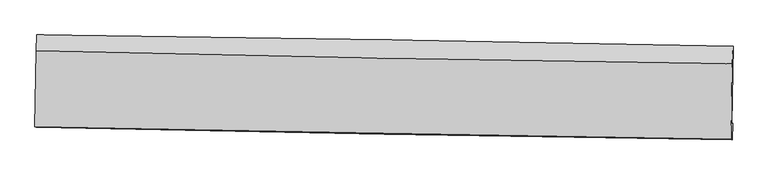
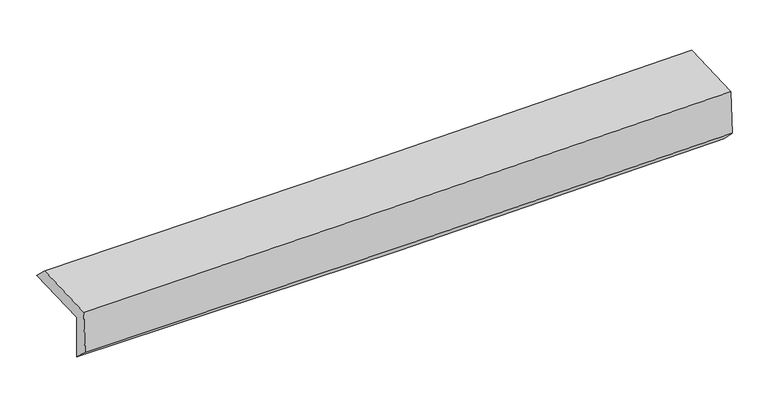
"""IFC4 building model written with IfcOpenShell, lengths in millimetres: proxy geometry."""

from ifc_helpers import new_model, si_unit, frame, origin, place, context, project, spatial, source, transform, mapped, element, save
from ifc_brep_helpers import plane_surface, spline_curve, spline_surface, advanced_brep


def generic_models_9db4fb66(model_context):
    return source(origin(), model_context, "Body", "AdvancedBrep", [
        advanced_brep(
        [(-3020.8000392, -1760.8167453, 1967.6400083), (-3009.119781, -1090.1808176, 1973.6287664), (3008.7732042, -1188.9431942, 2101.4449832), (2996.9145347, -1859.3915324, 2102.5689806), (-3010.1582731, -1744.5680712, 1562.3324587), (3007.5460529, -1852.8310226, 1690.9715408), (-3016.1457615, -1887.9125571, 1697.6898234), (3001.2627734, -1997.4538637, 1837.023593), (-3026.2417149, -1882.948852, 2096.2837654), (2990.7969354, -1992.3083037, 2250.2207844), (-3014.9593941, -1227.9994247, 2107.0145181), (3002.0367868, -1339.8242699, 2260.9111439)],
        [
            (0, 1),
            (1, 2, spline_curve(3, [(-3009.119781, -1090.1808176, 1973.6287664), (-2005.813948733, -1102.339119844, 1984.413842211), (-1002.65948639, -1116.648685568, 2000.458063361), (1003.304829222, -1149.569657691, 2043.063908151), (2006.11469538, -1168.180883992, 2069.625092436), (3008.7732042, -1188.9431942, 2101.4449832)], [4, 2, 4], [0.0, 9.876082193543121, 19.751752119840067])),
            (2, 3),
            (3, 0, spline_curve(3, [(2996.9145347, -1859.3915324, 2102.5689806), (1994.658468647, -1838.336808544, 2055.19901831), (992.064695396, -1819.595004179, 2020.269931011), (-1013.840134522, -1786.736548985, 1975.292568402), (-2017.151219157, -1772.620090944, 1965.245331277), (-3020.8000392, -1760.8167453, 1967.6400083)], [4, 2, 4], [0.0, 9.875669926296945, 19.751752119840067])),
            (4, 0),
            (3, 5),
            (5, 4, spline_curve(3, [(3007.5460529, -1852.8310226, 1690.9715408), (2005.370517786, -1823.445204149, 1646.203285714), (1002.817864275, -1799.730452111, 1613.099214701), (-1003.08354593, -1763.642328042, 1570.218546875), (-2006.432334917, -1751.26942959, 1560.442923755), (-3010.1582731, -1744.5680712, 1562.3324587)], [4, 2, 4], [0.0, 9.876102350068242, 19.752616985434518])),
            (6, 4),
            (5, 7),
            (7, 6, spline_curve(3, [(3001.2627734, -1997.4538637, 1837.023593), (1998.467757879, -1981.827993953, 1806.999298917), (995.630005928, -1964.886835057, 1780.376175691), (-1010.172835126, -1928.373176014, 1733.931302091), (-2013.137928777, -1908.800566163, 1714.109835179), (-3016.1457615, -1887.9125571, 1697.6898234)], [4, 2, 4], [0.0, 9.875524596526242, 19.751461454231762])),
            (8, 6),
            (7, 9),
            (9, 8, spline_curve(3, [(2990.7969354, -1992.3083037, 2250.2207844), (1987.935250849, -1976.649656273, 2222.828619656), (985.094986204, -1959.707261808, 2196.304702222), (-1020.584565429, -1923.254218328, 2144.992289763), (-2023.423851252, -1903.743462222, 2120.203867873), (-3026.2417149, -1882.948852, 2096.2837654)], [4, 2, 4], [0.0, 9.875166375160441, 19.75074499654594])),
            (10, 8),
            (9, 11),
            (11, 10, spline_curve(3, [(3002.0367868, -1339.8242699, 2260.9111439), (1999.139322664, -1326.242656698, 2233.484948833), (996.284706926, -1310.133360091, 2206.94738159), (-1009.380690055, -1272.858622695, 2155.648432276), (-2012.191468125, -1251.692970942, 2130.887124088), (-3014.9593941, -1227.9994247, 2107.0145181)], [4, 2, 4], [0.0, 9.875150080321829, 19.750712406188477])),
            (1, 10),
            (11, 2),
        ],
        [
            spline_surface(3, 3, [[(-3020.8000392, -1760.8167453, 1967.6400083), (-2017.151219001, -1772.620090817, 1965.245331398), (-1013.840134452, -1786.736548834, 1975.292568295), (992.064695325, -1819.595004329, 2020.269931118), (1994.658468729, -1838.336808648, 2055.199018333), (2996.9145347, -1859.3915324, 2102.5689806)], [(-3016.906619806, -1537.271436061, 1969.63626102), (-2013.372128954, -1549.193100491, 1971.634834978), (-1010.11325181, -1563.373927767, 1983.681066665), (995.811406634, -1596.253222036, 2027.867923426), (1998.477210921, -1614.951500374, 2060.007709677), (3000.867424534, -1635.908752995, 2102.194314796)], [(-3013.013200394, -1313.726126839, 1971.63251368), (-2009.593038891, -1325.766110181, 1978.0243385), (-1006.386369114, -1340.011306789, 1992.069565068), (999.558117995, -1372.911439832, 2035.465915766), (2002.295953112, -1391.566192115, 2064.816401033), (3004.820314366, -1412.425973605, 2101.819649004)], [(-3009.119781, -1090.1808176, 1973.6287664), (-2005.813948845, -1102.339119855, 1984.41384208), (-1002.659486472, -1116.648685721, 2000.458063438), (1003.304829304, -1149.569657538, 2043.063908074), (2006.114695305, -1168.18088384, 2069.625092376), (3008.7732042, -1188.9431942, 2101.4449832)]], [4, 4], [4, 2, 4], [0.0, 2.200063224977037], [0.0, 9.876082193543121, 19.751752119840067]),
            spline_surface(3, 3, [[(-3010.1582731, -1744.5680712, 1562.3324587), (-2006.432334853, -1751.26942963, 1560.442923644), (-1003.083546089, -1763.642328089, 1570.218546823), (1002.817864433, -1799.730452064, 1613.099214753), (2005.370517651, -1823.445204046, 1646.203285574), (3007.5460529, -1852.8310226, 1690.9715408)], [(-3013.705528461, -1749.984295899, 1697.434975241), (-2010.00529623, -1758.386316691, 1695.37705957), (-1006.66907553, -1771.340401674, 1705.243220662), (999.233474744, -1806.351969489, 1748.82278689), (2001.799834681, -1828.409072248, 1782.535196478), (3004.002213504, -1855.017859201, 1828.170687384)], [(-3017.252783839, -1755.400520601, 1832.537491759), (-2013.578257624, -1765.503203756, 1830.311195472), (-1010.254605011, -1779.03847525, 1840.267894456), (995.649085014, -1812.973486905, 1884.546358981), (1998.229151699, -1833.372940446, 1918.867107429), (3000.458374096, -1857.204695799, 1965.369834016)], [(-3020.8000392, -1760.8167453, 1967.6400083), (-2017.151219001, -1772.620090817, 1965.245331398), (-1013.840134452, -1786.736548834, 1975.292568295), (992.064695325, -1819.595004329, 2020.269931118), (1994.658468729, -1838.336808648, 2055.199018333), (2996.9145347, -1859.3915324, 2102.5689806)]], [4, 4], [4, 2, 4], [0.0, 1.3347510640704843], [0.0, 9.876514635366275, 19.752616985434518]),
            spline_surface(3, 3, [[(-3016.1457615, -1887.9125571, 1697.6898234), (-2013.137928628, -1908.800566189, 1714.109835225), (-1010.172835286, -1928.373176017, 1733.931301973), (995.630006088, -1964.886835054, 1780.37617581), (1998.467757761, -1981.827994116, 1806.999298937), (3001.2627734, -1997.4538637, 1837.023593)], [(-3014.149932056, -1840.131061792, 1652.570701816), (-2010.902730726, -1856.290187328, 1662.887531347), (-1007.809738888, -1873.462893384, 1679.36038359), (998.025958869, -1909.8347074, 1724.617188791), (2000.768677735, -1929.033730776, 1753.40062782), (3003.35719991, -1949.246250016, 1788.339575604)], [(-3012.154102544, -1792.349566508, 1607.451580284), (-2008.667532755, -1803.779808491, 1611.665227521), (-1005.446642487, -1818.552610722, 1624.789465205), (1000.421911653, -1854.782579718, 1668.858201772), (2003.069597678, -1876.239467386, 1699.801956691), (3005.45162639, -1901.038636284, 1739.655558196)], [(-3010.1582731, -1744.5680712, 1562.3324587), (-2006.432334853, -1751.26942963, 1560.442923644), (-1003.083546089, -1763.642328089, 1570.218546823), (1002.817864433, -1799.730452064, 1613.099214753), (2005.370517651, -1823.445204046, 1646.203285574), (3007.5460529, -1852.8310226, 1690.9715408)]], [4, 4], [4, 2, 4], [0.0, 0.7669441398431925], [0.0, 9.87593685770552, 19.751461454231762]),
            spline_surface(3, 3, [[(-3026.2417149, -1882.948852, 2096.2837654), (-2023.423851212, -1903.743462183, 2120.20386786), (-1020.584565559, -1923.254218367, 2144.992289913), (985.094986334, -1959.707261769, 2196.304702072), (1987.935250771, -1976.649656112, 2222.828619686), (2990.7969354, -1992.3083037, 2250.2207844)], [(-3022.876397081, -1884.603420373, 1963.419118064), (-2019.995210332, -1905.429163524, 1984.839190312), (-1017.11398881, -1924.960537601, 2007.971960599), (988.606659577, -1961.433786215, 2057.661859984), (1991.446086425, -1978.375768755, 2084.218846096), (2994.285548057, -1994.023490341, 2112.48838726)], [(-3019.511079319, -1886.257988727, 1830.554470736), (-2016.566569508, -1907.114864848, 1849.474512773), (-1013.643412035, -1926.666856783, 1870.951631286), (992.118332846, -1963.160310608, 1919.019017897), (1994.956922108, -1980.101881474, 1945.609072528), (2997.774160743, -1995.738677059, 1974.75599014)], [(-3016.1457615, -1887.9125571, 1697.6898234), (-2013.137928628, -1908.800566189, 1714.109835225), (-1010.172835286, -1928.373176017, 1733.931301973), (995.630006088, -1964.886835054, 1780.37617581), (1998.467757761, -1981.827994116, 1806.999298937), (3001.2627734, -1997.4538637, 1837.023593)]], [4, 4], [4, 2, 4], [0.0, 1.3571500141083175], [0.0, 9.875578621385499, 19.75074499654594]),
            spline_surface(3, 3, [[(-3014.9593941, -1227.9994247, 2107.0145181), (-2012.1914682, -1251.692970834, 2130.887124122), (-1009.38069016, -1272.858622717, 2155.648432208), (996.28470703, -1310.133360069, 2206.947381657), (1999.139322665, -1326.242656593, 2233.484948862), (3002.0367868, -1339.8242699, 2260.9111439)], [(-3018.720167717, -1446.315900461, 2103.437600533), (-2015.935595888, -1469.043134611, 2127.326038702), (-1013.115315299, -1489.657154577, 2152.096384777), (992.554800125, -1526.657993946, 2203.399821796), (1995.404632043, -1543.044989784, 2229.932839149), (2998.290169676, -1557.318947851, 2257.347690746)], [(-3022.480941283, -1664.632376239, 2099.860682967), (-2019.679723525, -1686.393298405, 2123.764953281), (-1016.849940419, -1706.455686506, 2148.544337344), (988.82489324, -1743.182627892, 2199.852261934), (1991.669941394, -1759.847322922, 2226.380729399), (2994.543552524, -1774.813625749, 2253.784237554)], [(-3026.2417149, -1882.948852, 2096.2837654), (-2023.423851212, -1903.743462183, 2120.20386786), (-1020.584565559, -1923.254218367, 2144.992289913), (985.094986334, -1959.707261769, 2196.304702072), (1987.935250771, -1976.649656112, 2222.828619686), (2990.7969354, -1992.3083037, 2250.2207844)]], [4, 4], [4, 2, 4], [0.0, 2.1330984898201555], [0.0, 9.875562325866648, 19.750712406188477]),
            spline_surface(3, 3, [[(-3009.119781, -1090.1808176, 1973.6287664), (-2005.813948845, -1102.339119855, 1984.41384208), (-1002.659486472, -1116.648685721, 2000.458063438), (1003.304829304, -1149.569657538, 2043.063908074), (2006.114695305, -1168.18088384, 2069.625092376), (3008.7732042, -1188.9431942, 2101.4449832)], [(-3011.066318679, -1136.120353315, 2018.090683626), (-2007.939788609, -1152.123736863, 2033.23826942), (-1004.899887681, -1168.718664742, 2052.188186356), (1000.964788566, -1203.090891738, 2097.691732597), (2003.789571078, -1220.86814142, 2124.245044548), (3006.52773172, -1239.236886095, 2154.60037011)], [(-3013.012856421, -1182.059888985, 2062.552600874), (-2010.065628436, -1201.908353826, 2082.062696783), (-1007.140288951, -1220.788643695, 2103.91830929), (998.624747768, -1256.612125869, 2152.319557135), (2001.464446892, -1273.555399013, 2178.86499669), (3004.28225928, -1289.530578005, 2207.75575699)], [(-3014.9593941, -1227.9994247, 2107.0145181), (-2012.1914682, -1251.692970834, 2130.887124122), (-1009.38069016, -1272.858622717, 2155.648432208), (996.28470703, -1310.133360069, 2206.947381657), (1999.139322665, -1326.242656593, 2233.484948862), (3002.0367868, -1339.8242699, 2260.9111439)]], [4, 4], [4, 2, 4], [0.0, 0.7379011771166348], [0.0, 9.875611800068489, 19.75081135252691]),
            plane_surface(frame((3001.2217146, -1705.1253644, 2040.5235043), z_axis=(0.9995183113247074, -0.017636339530601286, 0.025536343797941813), x_axis=(0.02531883556929544, -0.01244807974065804, -0.9996019217049281))),
            plane_surface(frame((-3016.237494, -1599.071078, 1900.7648901), z_axis=(-0.9995183113247129, 0.017636339529939354, -0.025536343798187568), x_axis=(-0.01741335510745467, -0.999808512292094, -0.00892825919043427))),
        ],
        [
            (0, [[1, 2, 3, 4]]),
            (1, [[5, -4, 6, 7]]),
            (2, [[8, -7, 9, 10]]),
            (3, [[11, -10, 12, 13]]),
            (4, [[14, -13, 15, 16]]),
            (5, [[17, -16, 18, -2]]),
            (6, [[-12, -9, -6, -3, -18, -15]]),
            (7, [[-1, -5, -8, -11, -14, -17]]),
        ],
    ),
    ])


if __name__ == "__main__":
    model = new_model("IFC4")
    model_context = context("Model", 3, world=origin())
    ifc_project = project(units=[si_unit("LENGTHUNIT", "METRE", prefix="MILLI")], contexts=[model_context])
    site = spatial("IfcSite", under=ifc_project)
    building = spatial("IfcBuilding", under=site)
    placement = place(None, origin())
    generic_models_shape = generic_models_9db4fb66(model_context)
    element("IfcBuildingElementProxy", 1, Name="Generic Models", at=placement, inside=building, context=model_context, shape_type="MappedRepresentation", body=[
        mapped(generic_models_shape, transform((0.0, 0.0, 0.0), x_axis=(1.0, 0.0, 0.0), y_axis=(0.0, 1.0, 0.0), z_axis=(0.0, 0.0, 1.0))),
    ])
    save(model, "model.ifc")
